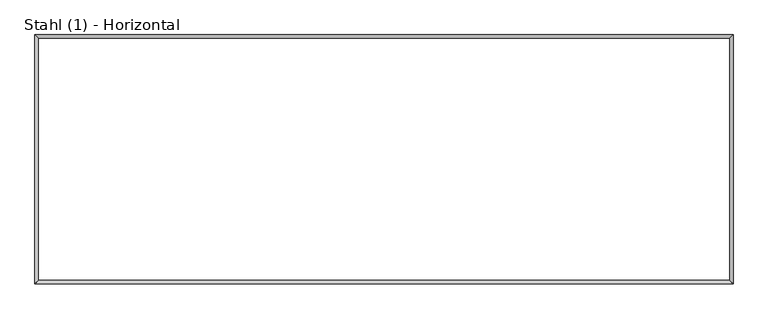
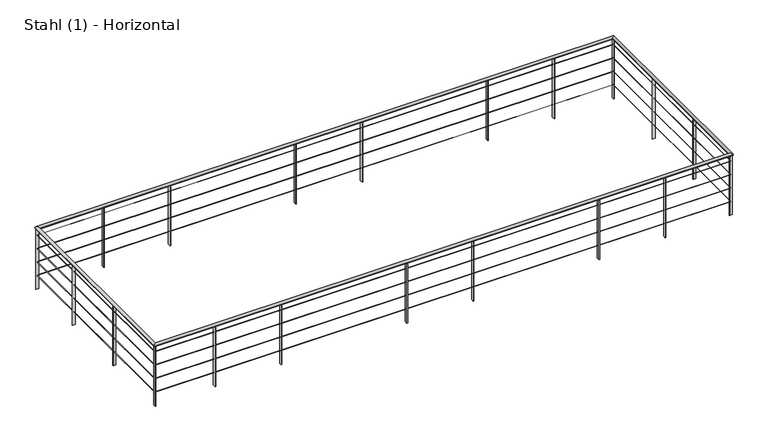
"""IFC4 building model written with IfcOpenShell, lengths in millimetres: railing geometry, Stahl (1) - Horizontal."""

from ifc_helpers import new_model, si_unit, frame, origin, place, context, project, spatial, polyline, ellipse_curve, outline, extrude, source, transform, mapped, element, save
from ifc_brep_helpers import cylinder_surface, advanced_brep


def stahl_1_horizontal_5a471c01(model_context):
    return source(origin(), model_context, "Body", "SolidModel", [
        advanced_brep(
        [(16832.47145, 6710.5303268, 4700.0), (16792.47145, 6670.5303268, 4700.0), (16792.47145, 3850.5303267, 4700.0), (16832.47145, 3810.5303267, 4700.0), (8754.6042866, 3850.5303267, 4700.0), (8714.6042866, 3810.5303267, 4700.0), (8754.6042866, 6670.5303268, 4700.0), (8714.6042866, 6710.5303268, 4700.0)],
        [
            (0, 1, ellipse_curve(frame((16812.47145, 6690.5303268, 4700.0), z_axis=(0.7071067811865487, -0.7071067811865462, 0.0), x_axis=(0.7071067811865461, 0.7071067811865488, 0.0)), 28.2842712, 20.0)),
            (1, 2),
            (2, 3, ellipse_curve(frame((16812.47145, 3830.5303267, 4700.0), z_axis=(0.7071067811865462, 0.7071067811865487, 0.0), x_axis=(-0.7071067811865487, 0.7071067811865464, 0.0)), 28.2842712, 20.0)),
            (3, 0),
            (1, 0, ellipse_curve(frame((16812.47145, 6690.5303268, 4700.0), z_axis=(0.7071067811865487, -0.7071067811865462, 0.0), x_axis=(0.7071067811865461, 0.7071067811865488, 0.0)), 28.2842712, 20.0)),
            (3, 2, ellipse_curve(frame((16812.47145, 3830.5303267, 4700.0), z_axis=(0.7071067811865462, 0.7071067811865487, 0.0), x_axis=(-0.7071067811865487, 0.7071067811865464, 0.0)), 28.2842712, 20.0)),
            (2, 4),
            (4, 5, ellipse_curve(frame((8734.6042866, 3830.5303267, 4700.0), z_axis=(0.7071067811865487, -0.7071067811865462, 0.0), x_axis=(0.7071067811865464, 0.7071067811865487, 0.0)), 28.2842712, 20.0)),
            (5, 3),
            (5, 4, ellipse_curve(frame((8734.6042866, 3830.5303267, 4700.0), z_axis=(0.7071067811865487, -0.7071067811865462, 0.0), x_axis=(0.7071067811865464, 0.7071067811865487, 0.0)), 28.2842712, 20.0)),
            (4, 6),
            (6, 7, ellipse_curve(frame((8734.6042866, 6690.5303268, 4700.0), z_axis=(-0.7071067811865462, -0.7071067811865487, 0.0), x_axis=(0.7071067811865487, -0.7071067811865464, 0.0)), 28.2842712, 20.0)),
            (7, 5),
            (7, 6, ellipse_curve(frame((8734.6042866, 6690.5303268, 4700.0), z_axis=(-0.7071067811865462, -0.7071067811865487, 0.0), x_axis=(0.7071067811865487, -0.7071067811865464, 0.0)), 28.2842712, 20.0)),
            (6, 1),
            (0, 7),
        ],
        [
            cylinder_surface(frame((16812.47145, 6690.5303268, 4700.0), z_axis=(0.0, 1.0, 0.0), x_axis=(1.0, 0.0, 0.0)), 20.0),
            cylinder_surface(frame((16812.47145, 3830.5303267, 4700.0), z_axis=(1.0, 0.0, 0.0), x_axis=(0.0, -1.0, 0.0)), 20.0),
            cylinder_surface(frame((8734.6042866, 3830.5303267, 4700.0), z_axis=(0.0, -1.0, 0.0), x_axis=(-1.0, 0.0, 0.0)), 20.0),
            cylinder_surface(frame((8734.6042866, 6690.5303268, 4700.0), z_axis=(-1.0, 0.0, 0.0), x_axis=(0.0, 1.0, 0.0)), 20.0),
        ],
        [
            (0, [[1, 2, 3, 4]]),
            (0, [[5, -4, 6, -2]]),
            (1, [[-3, 7, 8, 9]]),
            (1, [[-6, -9, 10, -7]]),
            (2, [[-8, 11, 12, 13]]),
            (2, [[-10, -13, 14, -11]]),
            (3, [[-12, 15, -1, 16]]),
            (3, [[-14, -16, -5, -15]]),
        ],
    ),
        advanced_brep(
        [(16813.97145, 6692.0303268, 4598.5), (16810.97145, 6689.0303268, 4598.5), (16810.97145, 3832.0303267, 4598.5), (16813.97145, 3829.0303267, 4598.5), (8736.1042866, 3832.0303267, 4598.5), (8733.1042866, 3829.0303267, 4598.5), (8736.1042866, 6689.0303268, 4598.5), (8733.1042866, 6692.0303268, 4598.5)],
        [
            (0, 1, ellipse_curve(frame((16812.47145, 6690.5303268, 4598.5), z_axis=(0.7071067811865487, -0.7071067811865462, 0.0), x_axis=(0.7071067811865461, 0.7071067811865488, 0.0)), 2.1213203, 1.5)),
            (1, 2),
            (2, 3, ellipse_curve(frame((16812.47145, 3830.5303267, 4598.5), z_axis=(0.7071067811865462, 0.7071067811865487, 0.0), x_axis=(-0.7071067811865487, 0.7071067811865464, 0.0)), 2.1213203, 1.5)),
            (3, 0),
            (1, 0, ellipse_curve(frame((16812.47145, 6690.5303268, 4598.5), z_axis=(0.7071067811865487, -0.7071067811865462, 0.0), x_axis=(0.7071067811865461, 0.7071067811865488, 0.0)), 2.1213203, 1.5)),
            (3, 2, ellipse_curve(frame((16812.47145, 3830.5303267, 4598.5), z_axis=(0.7071067811865462, 0.7071067811865487, 0.0), x_axis=(-0.7071067811865487, 0.7071067811865464, 0.0)), 2.1213203, 1.5)),
            (2, 4),
            (4, 5, ellipse_curve(frame((8734.6042866, 3830.5303267, 4598.5), z_axis=(0.7071067811865487, -0.7071067811865462, 0.0), x_axis=(0.7071067811865464, 0.7071067811865487, 0.0)), 2.1213203, 1.5)),
            (5, 3),
            (5, 4, ellipse_curve(frame((8734.6042866, 3830.5303267, 4598.5), z_axis=(0.7071067811865487, -0.7071067811865462, 0.0), x_axis=(0.7071067811865464, 0.7071067811865487, 0.0)), 2.1213203, 1.5)),
            (4, 6),
            (6, 7, ellipse_curve(frame((8734.6042866, 6690.5303268, 4598.5), z_axis=(-0.7071067811865462, -0.7071067811865487, 0.0), x_axis=(0.7071067811865487, -0.7071067811865464, 0.0)), 2.1213203, 1.5)),
            (7, 5),
            (7, 6, ellipse_curve(frame((8734.6042866, 6690.5303268, 4598.5), z_axis=(-0.7071067811865462, -0.7071067811865487, 0.0), x_axis=(0.7071067811865487, -0.7071067811865464, 0.0)), 2.1213203, 1.5)),
            (6, 1),
            (0, 7),
        ],
        [
            cylinder_surface(frame((16812.47145, 6690.5303268, 4598.5), z_axis=(0.0, 1.0, 0.0), x_axis=(1.0, 0.0, 0.0)), 1.5),
            cylinder_surface(frame((16812.47145, 3830.5303267, 4598.5), z_axis=(1.0, 0.0, 0.0), x_axis=(0.0, -1.0, 0.0)), 1.5),
            cylinder_surface(frame((8734.6042866, 3830.5303267, 4598.5), z_axis=(0.0, -1.0, 0.0), x_axis=(-1.0, 0.0, 0.0)), 1.5),
            cylinder_surface(frame((8734.6042866, 6690.5303268, 4598.5), z_axis=(-1.0, 0.0, 0.0), x_axis=(0.0, 1.0, 0.0)), 1.5),
        ],
        [
            (0, [[1, 2, 3, 4]]),
            (0, [[5, -4, 6, -2]]),
            (1, [[-3, 7, 8, 9]]),
            (1, [[-6, -9, 10, -7]]),
            (2, [[-8, 11, 12, 13]]),
            (2, [[-10, -13, 14, -11]]),
            (3, [[-12, 15, -1, 16]]),
            (3, [[-14, -16, -5, -15]]),
        ],
    ),
        advanced_brep(
        [(16813.97145, 6692.0303268, 4398.5), (16810.97145, 6689.0303268, 4398.5), (16810.97145, 3832.0303267, 4398.5), (16813.97145, 3829.0303267, 4398.5), (8736.1042866, 3832.0303267, 4398.5), (8733.1042866, 3829.0303267, 4398.5), (8736.1042866, 6689.0303268, 4398.5), (8733.1042866, 6692.0303268, 4398.5)],
        [
            (0, 1, ellipse_curve(frame((16812.47145, 6690.5303268, 4398.5), z_axis=(0.7071067811865487, -0.7071067811865462, 0.0), x_axis=(0.7071067811865461, 0.7071067811865488, 0.0)), 2.1213203, 1.5)),
            (1, 2),
            (2, 3, ellipse_curve(frame((16812.47145, 3830.5303267, 4398.5), z_axis=(0.7071067811865462, 0.7071067811865487, 0.0), x_axis=(-0.7071067811865487, 0.7071067811865464, 0.0)), 2.1213203, 1.5)),
            (3, 0),
            (1, 0, ellipse_curve(frame((16812.47145, 6690.5303268, 4398.5), z_axis=(0.7071067811865487, -0.7071067811865462, 0.0), x_axis=(0.7071067811865461, 0.7071067811865488, 0.0)), 2.1213203, 1.5)),
            (3, 2, ellipse_curve(frame((16812.47145, 3830.5303267, 4398.5), z_axis=(0.7071067811865462, 0.7071067811865487, 0.0), x_axis=(-0.7071067811865487, 0.7071067811865464, 0.0)), 2.1213203, 1.5)),
            (2, 4),
            (4, 5, ellipse_curve(frame((8734.6042866, 3830.5303267, 4398.5), z_axis=(0.7071067811865487, -0.7071067811865462, 0.0), x_axis=(0.7071067811865464, 0.7071067811865487, 0.0)), 2.1213203, 1.5)),
            (5, 3),
            (5, 4, ellipse_curve(frame((8734.6042866, 3830.5303267, 4398.5), z_axis=(0.7071067811865487, -0.7071067811865462, 0.0), x_axis=(0.7071067811865464, 0.7071067811865487, 0.0)), 2.1213203, 1.5)),
            (4, 6),
            (6, 7, ellipse_curve(frame((8734.6042866, 6690.5303268, 4398.5), z_axis=(-0.7071067811865462, -0.7071067811865487, 0.0), x_axis=(0.7071067811865487, -0.7071067811865464, 0.0)), 2.1213203, 1.5)),
            (7, 5),
            (7, 6, ellipse_curve(frame((8734.6042866, 6690.5303268, 4398.5), z_axis=(-0.7071067811865462, -0.7071067811865487, 0.0), x_axis=(0.7071067811865487, -0.7071067811865464, 0.0)), 2.1213203, 1.5)),
            (6, 1),
            (0, 7),
        ],
        [
            cylinder_surface(frame((16812.47145, 6690.5303268, 4398.5), z_axis=(0.0, 1.0, 0.0), x_axis=(1.0, 0.0, 0.0)), 1.5),
            cylinder_surface(frame((16812.47145, 3830.5303267, 4398.5), z_axis=(1.0, 0.0, 0.0), x_axis=(0.0, -1.0, 0.0)), 1.5),
            cylinder_surface(frame((8734.6042866, 3830.5303267, 4398.5), z_axis=(0.0, -1.0, 0.0), x_axis=(-1.0, 0.0, 0.0)), 1.5),
            cylinder_surface(frame((8734.6042866, 6690.5303268, 4398.5), z_axis=(-1.0, 0.0, 0.0), x_axis=(0.0, 1.0, 0.0)), 1.5),
        ],
        [
            (0, [[1, 2, 3, 4]]),
            (0, [[5, -4, 6, -2]]),
            (1, [[-3, 7, 8, 9]]),
            (1, [[-6, -9, 10, -7]]),
            (2, [[-8, 11, 12, 13]]),
            (2, [[-10, -13, 14, -11]]),
            (3, [[-12, 15, -1, 16]]),
            (3, [[-14, -16, -5, -15]]),
        ],
    ),
        advanced_brep(
        [(16813.97145, 6692.0303268, 4198.5), (16810.97145, 6689.0303268, 4198.5), (16810.97145, 3832.0303267, 4198.5), (16813.97145, 3829.0303267, 4198.5), (8736.1042866, 3832.0303267, 4198.5), (8733.1042866, 3829.0303267, 4198.5), (8736.1042866, 6689.0303268, 4198.5), (8733.1042866, 6692.0303268, 4198.5)],
        [
            (0, 1, ellipse_curve(frame((16812.47145, 6690.5303268, 4198.5), z_axis=(0.7071067811865487, -0.7071067811865462, 0.0), x_axis=(0.7071067811865461, 0.7071067811865488, 0.0)), 2.1213203, 1.5)),
            (1, 2),
            (2, 3, ellipse_curve(frame((16812.47145, 3830.5303267, 4198.5), z_axis=(0.7071067811865462, 0.7071067811865487, 0.0), x_axis=(-0.7071067811865487, 0.7071067811865464, 0.0)), 2.1213203, 1.5)),
            (3, 0),
            (1, 0, ellipse_curve(frame((16812.47145, 6690.5303268, 4198.5), z_axis=(0.7071067811865487, -0.7071067811865462, 0.0), x_axis=(0.7071067811865461, 0.7071067811865488, 0.0)), 2.1213203, 1.5)),
            (3, 2, ellipse_curve(frame((16812.47145, 3830.5303267, 4198.5), z_axis=(0.7071067811865462, 0.7071067811865487, 0.0), x_axis=(-0.7071067811865487, 0.7071067811865464, 0.0)), 2.1213203, 1.5)),
            (2, 4),
            (4, 5, ellipse_curve(frame((8734.6042866, 3830.5303267, 4198.5), z_axis=(0.7071067811865487, -0.7071067811865462, 0.0), x_axis=(0.7071067811865464, 0.7071067811865487, 0.0)), 2.1213203, 1.5)),
            (5, 3),
            (5, 4, ellipse_curve(frame((8734.6042866, 3830.5303267, 4198.5), z_axis=(0.7071067811865487, -0.7071067811865462, 0.0), x_axis=(0.7071067811865464, 0.7071067811865487, 0.0)), 2.1213203, 1.5)),
            (4, 6),
            (6, 7, ellipse_curve(frame((8734.6042866, 6690.5303268, 4198.5), z_axis=(-0.7071067811865462, -0.7071067811865487, 0.0), x_axis=(0.7071067811865487, -0.7071067811865464, 0.0)), 2.1213203, 1.5)),
            (7, 5),
            (7, 6, ellipse_curve(frame((8734.6042866, 6690.5303268, 4198.5), z_axis=(-0.7071067811865462, -0.7071067811865487, 0.0), x_axis=(0.7071067811865487, -0.7071067811865464, 0.0)), 2.1213203, 1.5)),
            (6, 1),
            (0, 7),
        ],
        [
            cylinder_surface(frame((16812.47145, 6690.5303268, 4198.5), z_axis=(0.0, 1.0, 0.0), x_axis=(1.0, 0.0, 0.0)), 1.5),
            cylinder_surface(frame((16812.47145, 3830.5303267, 4198.5), z_axis=(1.0, 0.0, 0.0), x_axis=(0.0, -1.0, 0.0)), 1.5),
            cylinder_surface(frame((8734.6042866, 3830.5303267, 4198.5), z_axis=(0.0, -1.0, 0.0), x_axis=(-1.0, 0.0, 0.0)), 1.5),
            cylinder_surface(frame((8734.6042866, 6690.5303268, 4198.5), z_axis=(-1.0, 0.0, 0.0), x_axis=(0.0, 1.0, 0.0)), 1.5),
        ],
        [
            (0, [[1, 2, 3, 4]]),
            (0, [[5, -4, 6, -2]]),
            (1, [[-3, 7, 8, 9]]),
            (1, [[-6, -9, 10, -7]]),
            (2, [[-8, 11, 12, 13]]),
            (2, [[-10, -13, 14, -11]]),
            (3, [[-12, 15, -1, 16]]),
            (3, [[-14, -16, -5, -15]]),
        ],
    ),
        advanced_brep(
        [(16813.97145, 6692.0303268, 3998.5), (16810.97145, 6689.0303268, 3998.5), (16810.97145, 3832.0303267, 3998.5), (16813.97145, 3829.0303267, 3998.5), (8736.1042866, 3832.0303267, 3998.5), (8733.1042866, 3829.0303267, 3998.5), (8736.1042866, 6689.0303268, 3998.5), (8733.1042866, 6692.0303268, 3998.5)],
        [
            (0, 1, ellipse_curve(frame((16812.47145, 6690.5303268, 3998.5), z_axis=(0.7071067811865487, -0.7071067811865462, 0.0), x_axis=(0.7071067811865461, 0.7071067811865488, 0.0)), 2.1213203, 1.5)),
            (1, 2),
            (2, 3, ellipse_curve(frame((16812.47145, 3830.5303267, 3998.5), z_axis=(0.7071067811865462, 0.7071067811865487, 0.0), x_axis=(-0.7071067811865487, 0.7071067811865464, 0.0)), 2.1213203, 1.5)),
            (3, 0),
            (1, 0, ellipse_curve(frame((16812.47145, 6690.5303268, 3998.5), z_axis=(0.7071067811865487, -0.7071067811865462, 0.0), x_axis=(0.7071067811865461, 0.7071067811865488, 0.0)), 2.1213203, 1.5)),
            (3, 2, ellipse_curve(frame((16812.47145, 3830.5303267, 3998.5), z_axis=(0.7071067811865462, 0.7071067811865487, 0.0), x_axis=(-0.7071067811865487, 0.7071067811865464, 0.0)), 2.1213203, 1.5)),
            (2, 4),
            (4, 5, ellipse_curve(frame((8734.6042866, 3830.5303267, 3998.5), z_axis=(0.7071067811865487, -0.7071067811865462, 0.0), x_axis=(0.7071067811865464, 0.7071067811865487, 0.0)), 2.1213203, 1.5)),
            (5, 3),
            (5, 4, ellipse_curve(frame((8734.6042866, 3830.5303267, 3998.5), z_axis=(0.7071067811865487, -0.7071067811865462, 0.0), x_axis=(0.7071067811865464, 0.7071067811865487, 0.0)), 2.1213203, 1.5)),
            (4, 6),
            (6, 7, ellipse_curve(frame((8734.6042866, 6690.5303268, 3998.5), z_axis=(-0.7071067811865462, -0.7071067811865487, 0.0), x_axis=(0.7071067811865487, -0.7071067811865464, 0.0)), 2.1213203, 1.5)),
            (7, 5),
            (7, 6, ellipse_curve(frame((8734.6042866, 6690.5303268, 3998.5), z_axis=(-0.7071067811865462, -0.7071067811865487, 0.0), x_axis=(0.7071067811865487, -0.7071067811865464, 0.0)), 2.1213203, 1.5)),
            (6, 1),
            (0, 7),
        ],
        [
            cylinder_surface(frame((16812.47145, 6690.5303268, 3998.5), z_axis=(0.0, 1.0, 0.0), x_axis=(1.0, 0.0, 0.0)), 1.5),
            cylinder_surface(frame((16812.47145, 3830.5303267, 3998.5), z_axis=(1.0, 0.0, 0.0), x_axis=(0.0, -1.0, 0.0)), 1.5),
            cylinder_surface(frame((8734.6042866, 3830.5303267, 3998.5), z_axis=(0.0, -1.0, 0.0), x_axis=(-1.0, 0.0, 0.0)), 1.5),
            cylinder_surface(frame((8734.6042866, 6690.5303268, 3998.5), z_axis=(-1.0, 0.0, 0.0), x_axis=(0.0, 1.0, 0.0)), 1.5),
        ],
        [
            (0, [[1, 2, 3, 4]]),
            (0, [[5, -4, 6, -2]]),
            (1, [[-3, 7, 8, 9]]),
            (1, [[-6, -9, 10, -7]]),
            (2, [[-8, 11, 12, 13]]),
            (2, [[-10, -13, 14, -11]]),
            (3, [[-12, 15, -1, 16]]),
            (3, [[-14, -16, -5, -15]]),
        ],
    ),
        extrude(outline(polyline([(15972.8300193, 6710.5303268), (15980.8300193, 6710.5303268), (15980.8300193, 6670.5303268), (15972.8300193, 6670.5303268), (15972.8300193, 6710.5303268)])), frame((0.0, 0.0, 3800.0), z_axis=(0.0, 0.0, 1.0), x_axis=(1.0, 0.0, 0.0)), (0.0, 0.0, 1.0), 880.0),
        extrude(outline(polyline([(15044.3395408, 6710.5303268), (15052.3395408, 6710.5303268), (15052.3395408, 6670.5303268), (15044.3395408, 6670.5303268), (15044.3395408, 6710.5303268)])), frame((0.0, 0.0, 3800.0), z_axis=(0.0, 0.0, 1.0), x_axis=(1.0, 0.0, 0.0)), (0.0, 0.0, 1.0), 880.0),
        extrude(outline(polyline([(13280.2076315, 6710.5303268), (13288.2076315, 6710.5303268), (13288.2076315, 6670.5303268), (13280.2076315, 6670.5303268), (13280.2076315, 6710.5303268)])), frame((0.0, 0.0, 3800.0), z_axis=(0.0, 0.0, 1.0), x_axis=(1.0, 0.0, 0.0)), (0.0, 0.0, 1.0), 880.0),
        extrude(outline(polyline([(12351.717153, 6710.5303268), (12359.717153, 6710.5303268), (12359.717153, 6670.5303268), (12351.717153, 6670.5303268), (12351.717153, 6710.5303268)])), frame((0.0, 0.0, 3800.0), z_axis=(0.0, 0.0, 1.0), x_axis=(1.0, 0.0, 0.0)), (0.0, 0.0, 1.0), 880.0),
        extrude(outline(polyline([(10587.5852437, 6710.5303268), (10595.5852437, 6710.5303268), (10595.5852437, 6670.5303268), (10587.5852437, 6670.5303268), (10587.5852437, 6710.5303268)])), frame((0.0, 0.0, 3800.0), z_axis=(0.0, 0.0, 1.0), x_axis=(1.0, 0.0, 0.0)), (0.0, 0.0, 1.0), 880.0),
        extrude(outline(polyline([(9659.0947652, 6710.5303268), (9667.0947652, 6710.5303268), (9667.0947652, 6670.5303268), (9659.0947652, 6670.5303268), (9659.0947652, 6710.5303268)])), frame((0.0, 0.0, 3800.0), z_axis=(0.0, 0.0, 1.0), x_axis=(1.0, 0.0, 0.0)), (0.0, 0.0, 1.0), 880.0),
        extrude(outline(polyline([(8714.6042866, 5798.9441199), (8714.6042866, 5806.9441199), (8754.6042866, 5806.9441199), (8754.6042866, 5798.9441199), (8714.6042866, 5798.9441199)])), frame((0.0, 0.0, 3800.0), z_axis=(0.0, 0.0, 1.0), x_axis=(1.0, 0.0, 0.0)), (0.0, 0.0, 1.0), 880.0),
        extrude(outline(polyline([(8714.6042866, 4812.7372233), (8714.6042866, 4820.7372233), (8754.6042866, 4820.7372233), (8754.6042866, 4812.7372233), (8714.6042866, 4812.7372233)])), frame((0.0, 0.0, 3800.0), z_axis=(0.0, 0.0, 1.0), x_axis=(1.0, 0.0, 0.0)), (0.0, 0.0, 1.0), 880.0),
        extrude(outline(polyline([(9574.2457173, 3810.5303267), (9566.2457173, 3810.5303267), (9566.2457173, 3850.5303267), (9574.2457173, 3850.5303267), (9574.2457173, 3810.5303267)])), frame((0.0, 0.0, 3800.0), z_axis=(0.0, 0.0, 1.0), x_axis=(1.0, 0.0, 0.0)), (0.0, 0.0, 1.0), 880.0),
        extrude(outline(polyline([(10502.7361959, 3810.5303267), (10494.7361959, 3810.5303267), (10494.7361959, 3850.5303267), (10502.7361959, 3850.5303267), (10502.7361959, 3810.5303267)])), frame((0.0, 0.0, 3800.0), z_axis=(0.0, 0.0, 1.0), x_axis=(1.0, 0.0, 0.0)), (0.0, 0.0, 1.0), 880.0),
        extrude(outline(polyline([(12266.8681051, 3810.5303267), (12258.8681051, 3810.5303267), (12258.8681051, 3850.5303267), (12266.8681051, 3850.5303267), (12266.8681051, 3810.5303267)])), frame((0.0, 0.0, 3800.0), z_axis=(0.0, 0.0, 1.0), x_axis=(1.0, 0.0, 0.0)), (0.0, 0.0, 1.0), 880.0),
        extrude(outline(polyline([(13195.3585837, 3810.5303267), (13187.3585837, 3810.5303267), (13187.3585837, 3850.5303267), (13195.3585837, 3850.5303267), (13195.3585837, 3810.5303267)])), frame((0.0, 0.0, 3800.0), z_axis=(0.0, 0.0, 1.0), x_axis=(1.0, 0.0, 0.0)), (0.0, 0.0, 1.0), 880.0),
        extrude(outline(polyline([(14959.4904929, 3810.5303267), (14951.4904929, 3810.5303267), (14951.4904929, 3850.5303267), (14959.4904929, 3850.5303267), (14959.4904929, 3810.5303267)])), frame((0.0, 0.0, 3800.0), z_axis=(0.0, 0.0, 1.0), x_axis=(1.0, 0.0, 0.0)), (0.0, 0.0, 1.0), 880.0),
        extrude(outline(polyline([(15887.9809714, 3810.5303267), (15879.9809714, 3810.5303267), (15879.9809714, 3850.5303267), (15887.9809714, 3850.5303267), (15887.9809714, 3810.5303267)])), frame((0.0, 0.0, 3800.0), z_axis=(0.0, 0.0, 1.0), x_axis=(1.0, 0.0, 0.0)), (0.0, 0.0, 1.0), 880.0),
        extrude(outline(polyline([(16832.47145, 4722.1165336), (16832.47145, 4714.1165336), (16792.47145, 4714.1165336), (16792.47145, 4722.1165336), (16832.47145, 4722.1165336)])), frame((0.0, 0.0, 3800.0), z_axis=(0.0, 0.0, 1.0), x_axis=(1.0, 0.0, 0.0)), (0.0, 0.0, 1.0), 880.0),
        extrude(outline(polyline([(16832.47145, 5708.3234302), (16832.47145, 5700.3234302), (16792.47145, 5700.3234302), (16792.47145, 5708.3234302), (16832.47145, 5708.3234302)])), frame((0.0, 0.0, 3800.0), z_axis=(0.0, 0.0, 1.0), x_axis=(1.0, 0.0, 0.0)), (0.0, 0.0, 1.0), 880.0),
        extrude(outline(polyline([(16808.47145, 6710.5303268), (16816.47145, 6710.5303268), (16816.47145, 6670.5303268), (16808.47145, 6670.5303268), (16808.47145, 6710.5303268)])), frame((0.0, 0.0, 3800.0), z_axis=(0.0, 0.0, 1.0), x_axis=(1.0, 0.0, 0.0)), (0.0, 0.0, 1.0), 880.0),
        extrude(outline(polyline([(8714.6042866, 6686.5303268), (8714.6042866, 6694.5303268), (8754.6042866, 6694.5303268), (8754.6042866, 6686.5303268), (8714.6042866, 6686.5303268)])), frame((0.0, 0.0, 3800.0), z_axis=(0.0, 0.0, 1.0), x_axis=(1.0, 0.0, 0.0)), (0.0, 0.0, 1.0), 880.0),
        extrude(outline(polyline([(8738.6042866, 3810.5303267), (8730.6042866, 3810.5303267), (8730.6042866, 3850.5303267), (8738.6042866, 3850.5303267), (8738.6042866, 3810.5303267)])), frame((0.0, 0.0, 3800.0), z_axis=(0.0, 0.0, 1.0), x_axis=(1.0, 0.0, 0.0)), (0.0, 0.0, 1.0), 880.0),
        extrude(outline(polyline([(16832.47145, 3834.5303267), (16832.47145, 3826.5303267), (16792.47145, 3826.5303267), (16792.47145, 3834.5303267), (16832.47145, 3834.5303267)])), frame((0.0, 0.0, 3800.0), z_axis=(0.0, 0.0, 1.0), x_axis=(1.0, 0.0, 0.0)), (0.0, 0.0, 1.0), 880.0),
    ])


if __name__ == "__main__":
    model = new_model("IFC4")
    model_context = context("Model", 3, world=origin())
    ifc_project = project(units=[si_unit("LENGTHUNIT", "METRE", prefix="MILLI")], contexts=[model_context])
    site = spatial("IfcSite", under=ifc_project)
    building = spatial("IfcBuilding", under=site)
    placement = place(None, origin())
    stahl_1_horizontal_shape = stahl_1_horizontal_5a471c01(model_context)
    element("IfcRailing", 1, ObjectType="Stahl (1) - Horizontal", at=placement, inside=building, context=model_context, shape_type="MappedRepresentation", body=[
        mapped(stahl_1_horizontal_shape, transform((0.0, 0.0, 0.0), x_axis=(1.0, 0.0, 0.0), y_axis=(0.0, 1.0, 0.0), z_axis=(0.0, 0.0, 1.0))),
    ])
    save(model, "model.ifc")
